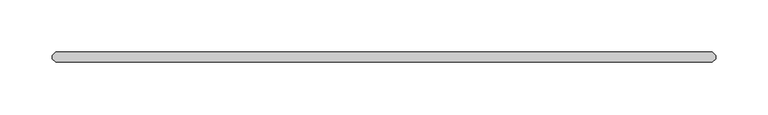
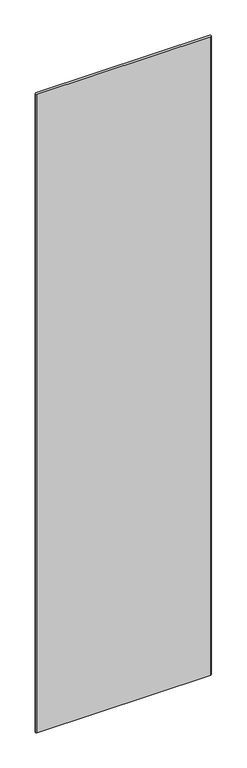
"""IFC4 building model written with IfcOpenShell, lengths in millimetres: plate geometry."""

from ifc_helpers import new_model, si_unit, origin, origin_with_axes, place, context, project, spatial, polyline, outline, extrude, source, transform, mapped, element, save


def plate_df995cc9(model_context):
    return source(origin(), model_context, "Body", "SweptSolid", [
        extrude(outline(polyline([(312.853742, -4.7625), (-312.853742, -4.7625), (-316.028742, -1.5875), (-316.028742, 1.5875), (-312.853742, 4.7625), (312.853742, 4.7625), (316.028742, 1.5875), (316.028742, -1.5875), (312.853742, -4.7625)])), origin_with_axes(), (0.0, 0.0, 1.0), 2427.1914267),
    ])


if __name__ == "__main__":
    model = new_model("IFC4")
    model_context = context("Model", 3, world=origin())
    ifc_project = project(units=[si_unit("LENGTHUNIT", "METRE", prefix="MILLI")], contexts=[model_context])
    site = spatial("IfcSite", under=ifc_project)
    building = spatial("IfcBuilding", under=site)
    placement = place(None, origin())
    plate_shape = plate_df995cc9(model_context)
    element("IfcPlate", 1, at=placement, inside=building, context=model_context, shape_type="MappedRepresentation", body=[
        mapped(plate_shape, transform((0.0, 0.0, 0.0), x_axis=(1.0, 0.0, 0.0), y_axis=(0.0, 1.0, 0.0), z_axis=(0.0, 0.0, 1.0))),
    ])
    save(model, "model.ifc")
